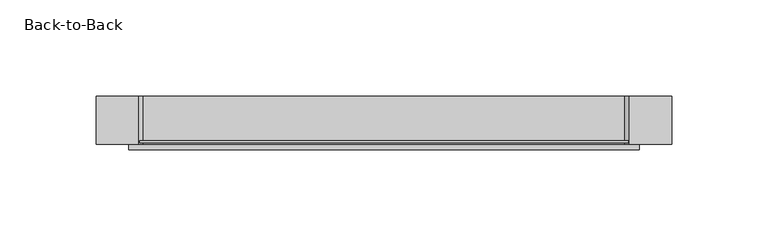
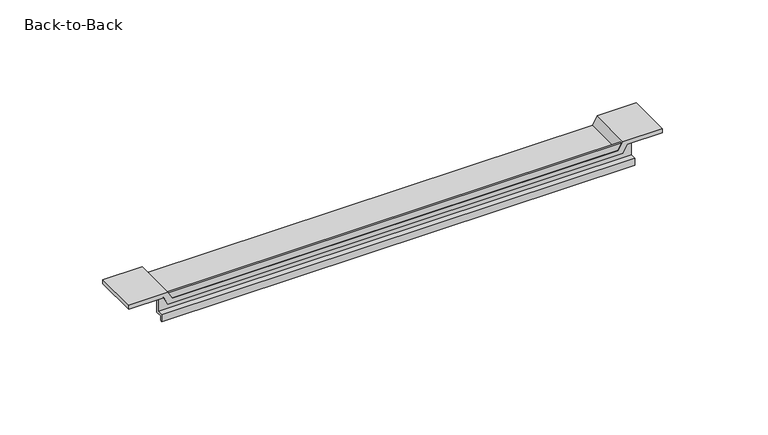
"""IFC4 building model written with IfcOpenShell, lengths in millimetres: furniture geometry, Back-to-Back."""

from ifc_helpers import new_model, si_unit, frame, origin, place, context, project, spatial, polyline, outline, extrude, source, transform, mapped, element, save


def back_to_back_002473d1(model_context):
    return source(origin(), model_context, "Body", "SweptSolid", [
        extrude(outline(polyline([(-24.2000002, 649.409416), (-24.2000002, 658.2093876), (-22.9999996, 658.2093876), (-22.9999996, 648.2094166), (-26.5499998, 648.2094166), (-26.5499998, 645.4093695), (-27.7499993, 645.4093695), (-27.7499993, 649.409416), (-24.2000002, 649.409416)])), frame((16.9773552, 0.0, 0.0), z_axis=(1.0, 0.0, 0.0), x_axis=(0.0, 1.0, 0.0)), (0.0, 0.0, 1.0), 265.0452984),
        extrude(outline(polyline([(656.9093943, 19.5000089), (652.4093782, 22.0000016), (652.4093782, 277.0000072), (656.9093943, 279.5), (656.9093943, 299.0000088), (659.409387, 299.0000088), (659.409387, 277.0000072), (654.909371, 274.5000054), (654.909371, 24.5000035), (659.409387, 22.0000016), (659.409387, 0.0), (656.9093943, 0.0), (656.9093943, 19.5000089)])), frame((0.0, -25.0000002, 0.0), z_axis=(0.0, 1.0, 0.0), x_axis=(0.0, 0.0, 1.0)), (0.0, 0.0, 1.0), 25.0000002),
    ])


if __name__ == "__main__":
    model = new_model("IFC4")
    model_context = context("Model", 3, world=origin())
    ifc_project = project(units=[si_unit("LENGTHUNIT", "METRE", prefix="MILLI")], contexts=[model_context])
    site = spatial("IfcSite", under=ifc_project)
    building = spatial("IfcBuilding", under=site)
    placement = place(None, origin())
    back_to_back_shape = back_to_back_002473d1(model_context)
    element("IfcFurniture", 1, ObjectType="Back-to-Back", at=placement, inside=building, context=model_context, shape_type="MappedRepresentation", body=[
        mapped(back_to_back_shape, transform((0.0, 0.0, 0.0), x_axis=(1.0, 0.0, 0.0), y_axis=(0.0, 1.0, 0.0), z_axis=(0.0, 0.0, 1.0))),
    ])
    save(model, "model.ifc")
